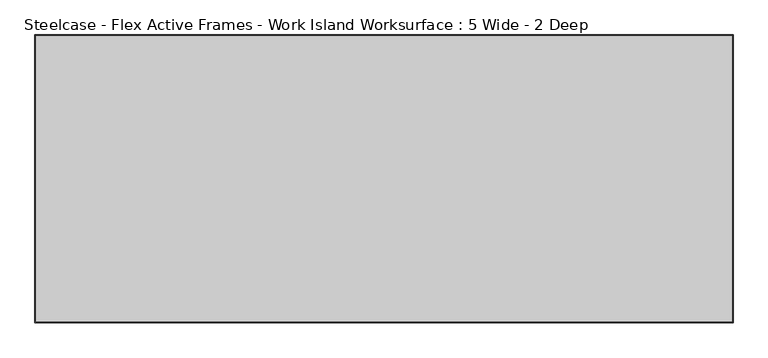
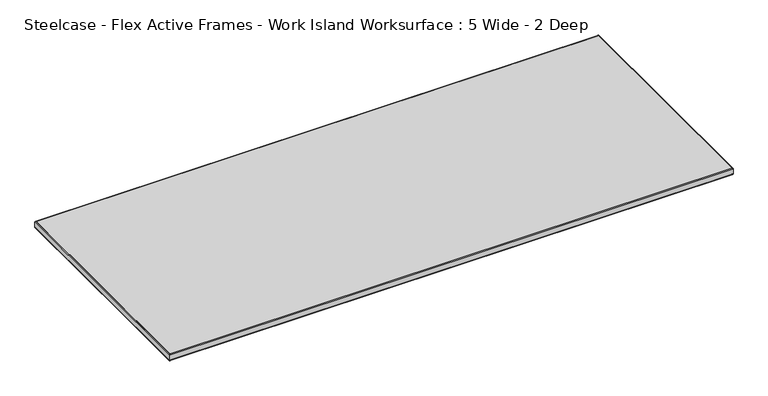
"""IFC4 building model written with IfcOpenShell, lengths in millimetres: furniture geometry, Steelcase - Flex Active Frames - Work Island Worksurface : 5 Wide - 2 Deep."""

from ifc_helpers import new_model, si_unit, frame, origin, origin_with_axes, place, context, project, spatial, polyline, ellipse_curve, outline, extrude, source, transform, mapped, element, save
from ifc_brep_helpers import plane_surface, cylinder_surface, advanced_brep


def steelcase_flex_active_frames_work_island_worksurface_5_wide_d228cfd8(model_context):
    return source(origin(), model_context, "Body", "SolidModel", [
        extrude(outline(polyline([(2039.0297083, -2.9700689), (2039.0297083, -839.0399311), (2.9700689, -839.0399311), (2.9700689, -2.9700689), (2039.0297083, -2.9700689)])), origin_with_axes(), (0.0, 0.0, 1.0), 24.9845003),
        advanced_brep(
        [(0.0, 0.0, 2.9700689), (2.9700689, -2.9700689, 0.0), (2.9700689, -839.0399311, 0.0), (0.0, -842.01, 2.9700689), (0.0, 0.0, 22.0144314), (0.0, -842.01, 22.0144314), (2.9700689, -2.9700689, 24.9845003), (2.9700689, -839.0399311, 24.9845003), (2039.0297083, -839.0399311, 0.0), (2041.9997772, -842.01, 2.9700689), (2041.9997772, -842.01, 22.0144314), (2039.0297083, -839.0399311, 24.9845003), (2039.0297083, -2.9700689, 0.0), (2041.9997772, 0.0, 2.9700689), (2041.9997772, 0.0, 22.0144314), (2039.0297083, -2.9700689, 24.9845003)],
        [
            (0, 1, ellipse_curve(frame((2.9700689, -2.9700689, 2.9700689), z_axis=(-0.7071067811865475, -0.7071067811865475, 0.0), x_axis=(-0.7071067811865474, 0.7071067811865476, 0.0)), 4.2003118, 2.9700689)),
            (1, 2),
            (2, 3, ellipse_curve(frame((2.9700689, -839.0399311, 2.9700689), z_axis=(-0.7071067811865475, 0.7071067811865475, 0.0), x_axis=(0.7071067811865474, 0.7071067811865476, 0.0)), 4.2003118, 2.9700689)),
            (3, 0),
            (4, 0),
            (3, 5),
            (5, 4),
            (6, 4, ellipse_curve(frame((2.9700689, -2.9700689, 22.0144314), z_axis=(-0.7071067811865475, -0.7071067811865475, 0.0), x_axis=(-0.7071067811865474, 0.7071067811865476, 0.0)), 4.2003118, 2.9700689)),
            (5, 7, ellipse_curve(frame((2.9700689, -839.0399311, 22.0144314), z_axis=(-0.7071067811865475, 0.7071067811865475, 0.0), x_axis=(0.7071067811865474, 0.7071067811865476, 0.0)), 4.2003118, 2.9700689)),
            (7, 6),
            (1, 6),
            (7, 2),
            (2, 8),
            (8, 9, ellipse_curve(frame((2039.0297083, -839.0399311, 2.9700689), z_axis=(-0.7071067811865475, -0.7071067811865475, 0.0), x_axis=(-0.7071067811865476, 0.7071067811865474, 0.0)), 4.2003118, 2.9700689)),
            (9, 3),
            (9, 10),
            (10, 5),
            (10, 11, ellipse_curve(frame((2039.0297083, -839.0399311, 22.0144314), z_axis=(-0.7071067811865475, -0.7071067811865475, 0.0), x_axis=(-0.7071067811865476, 0.7071067811865474, 0.0)), 4.2003118, 2.9700689)),
            (11, 7),
            (11, 8),
            (8, 12),
            (12, 13, ellipse_curve(frame((2039.0297083, -2.9700689, 2.9700689), z_axis=(0.7071067811865475, -0.7071067811865475, 0.0), x_axis=(-0.7071067811865474, -0.7071067811865476, 0.0)), 4.2003118, 2.9700689)),
            (13, 9),
            (13, 14),
            (14, 10),
            (14, 15, ellipse_curve(frame((2039.0297083, -2.9700689, 22.0144314), z_axis=(0.7071067811865475, -0.7071067811865475, 0.0), x_axis=(-0.7071067811865474, -0.7071067811865476, 0.0)), 4.2003118, 2.9700689)),
            (15, 11),
            (15, 12),
            (12, 1),
            (0, 13),
            (4, 14),
            (6, 15),
        ],
        [
            cylinder_surface(frame((2.9700689, 0.0, 2.9700689), z_axis=(0.0, 1.0, 0.0), x_axis=(1.0, 0.0, 0.0)), 2.9700689),
            plane_surface(frame((0.0, 0.0, 2.9700689), z_axis=(-1.0, 0.0, 0.0), x_axis=(0.0, -1.0, 0.0))),
            cylinder_surface(frame((2.9700689, 0.0, 22.0144314), z_axis=(0.0, 1.0, 0.0), x_axis=(1.0, 0.0, 0.0)), 2.9700689),
            plane_surface(frame((2.9700689, -2.9700689, 24.9845003), z_axis=(1.0, 0.0, 0.0), x_axis=(0.0, -1.0, 0.0))),
            cylinder_surface(frame((0.0, -839.0399311, 2.9700689), z_axis=(-1.0, 0.0, 0.0), x_axis=(0.0, 1.0, 0.0)), 2.9700689),
            plane_surface(frame((0.0, -842.01, 2.9700689), z_axis=(0.0, -1.0, 0.0), x_axis=(1.0, 0.0, 0.0))),
            cylinder_surface(frame((0.0, -839.0399311, 22.0144314), z_axis=(-1.0, 0.0, 0.0), x_axis=(0.0, 1.0, 0.0)), 2.9700689),
            plane_surface(frame((2.9700689, -839.0399311, 24.9845003), z_axis=(0.0, 1.0, 0.0), x_axis=(1.0, 0.0, 0.0))),
            cylinder_surface(frame((2039.0297083, -842.01, 2.9700689), z_axis=(0.0, -1.0, 0.0), x_axis=(-1.0, 0.0, 0.0)), 2.9700689),
            plane_surface(frame((2041.9997772, -842.01, 2.9700689), z_axis=(1.0, 0.0, 0.0), x_axis=(0.0, 1.0, 0.0))),
            cylinder_surface(frame((2039.0297083, -842.01, 22.0144314), z_axis=(0.0, -1.0, 0.0), x_axis=(-1.0, 0.0, 0.0)), 2.9700689),
            plane_surface(frame((2039.0297083, -839.0399311, 24.9845003), z_axis=(-1.0, 0.0, 0.0), x_axis=(0.0, 1.0, 0.0))),
            cylinder_surface(frame((2041.9997772, -2.9700689, 2.9700689), z_axis=(1.0, 0.0, 0.0), x_axis=(0.0, -1.0, 0.0)), 2.9700689),
            plane_surface(frame((2041.9997772, 0.0, 2.9700689), z_axis=(0.0, 1.0, 0.0), x_axis=(-1.0, 0.0, 0.0))),
            cylinder_surface(frame((2041.9997772, -2.9700689, 22.0144314), z_axis=(1.0, 0.0, 0.0), x_axis=(0.0, -1.0, 0.0)), 2.9700689),
            plane_surface(frame((2039.0297083, -2.9700689, 24.9845003), z_axis=(0.0, -1.0, 0.0), x_axis=(-1.0, 0.0, 0.0))),
        ],
        [
            (0, [[1, 2, 3, 4]]),
            (1, [[5, -4, 6, 7]]),
            (2, [[8, -7, 9, 10]]),
            (3, [[11, -10, 12, -2]]),
            (4, [[-3, 13, 14, 15]]),
            (5, [[-6, -15, 16, 17]]),
            (6, [[-9, -17, 18, 19]]),
            (7, [[-12, -19, 20, -13]]),
            (8, [[-14, 21, 22, 23]]),
            (9, [[-16, -23, 24, 25]]),
            (10, [[-18, -25, 26, 27]]),
            (11, [[-20, -27, 28, -21]]),
            (12, [[-22, 29, -1, 30]]),
            (13, [[-24, -30, -5, 31]]),
            (14, [[-26, -31, -8, 32]]),
            (15, [[-28, -32, -11, -29]]),
        ],
    ),
    ])


if __name__ == "__main__":
    model = new_model("IFC4")
    model_context = context("Model", 3, world=origin())
    ifc_project = project(units=[si_unit("LENGTHUNIT", "METRE", prefix="MILLI")], contexts=[model_context])
    site = spatial("IfcSite", under=ifc_project)
    building = spatial("IfcBuilding", under=site)
    placement = place(None, origin())
    steelcase_flex_active_frames_work_island_worksurface_5_wide_shape = steelcase_flex_active_frames_work_island_worksurface_5_wide_d228cfd8(model_context)
    element("IfcFurniture", 1, ObjectType="Steelcase - Flex Active Frames - Work Island Worksurface : 5 Wide - 2 Deep", at=placement, inside=building, context=model_context, shape_type="MappedRepresentation", body=[
        mapped(steelcase_flex_active_frames_work_island_worksurface_5_wide_shape, transform((0.0, 0.0, 0.0), x_axis=(1.0, 0.0, 0.0), y_axis=(0.0, 1.0, 0.0), z_axis=(0.0, 0.0, 1.0))),
    ])
    save(model, "model.ifc")
